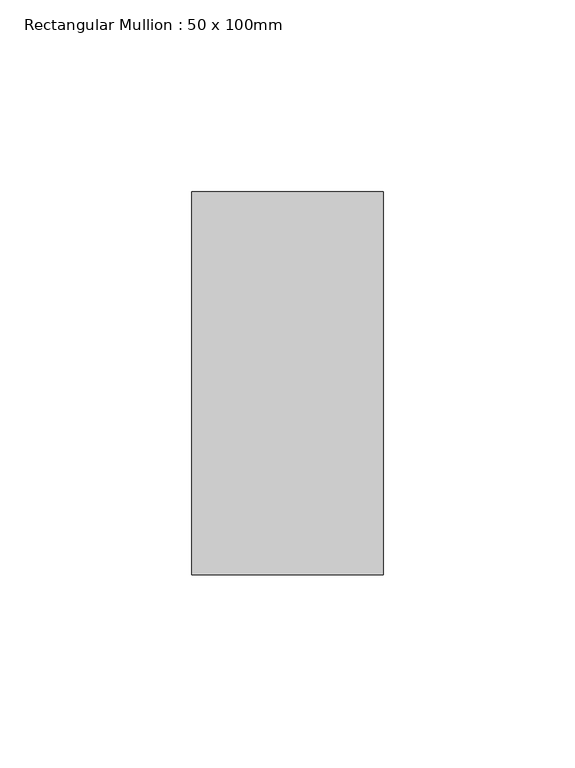
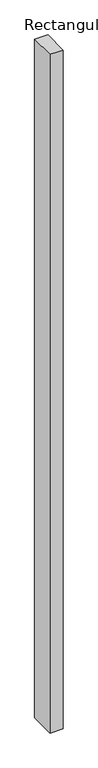
"""IFC4 building model written with IfcOpenShell, lengths in millimetres: member geometry, Rectangular Mullion : 50 x 100mm."""

from ifc_helpers import new_model, si_unit, frame, origin, place, context, project, spatial, polyline, outline, extrude, source, transform, mapped, element, save


def rectangular_mullion_50_x_100mm_29dc3561(model_context):
    return source(origin(), model_context, "Body", "SweptSolid", [
        extrude(outline(polyline([(25.0, 50.0), (25.0, -50.0), (-25.0, -50.0), (-25.0, 50.0), (25.0, 50.0)])), frame((0.0, 0.0, -2725.0), z_axis=(0.0, 0.0, 1.0), x_axis=(1.0, 0.0, 0.0)), (0.0, 0.0, 1.0), 2725.0),
    ])


if __name__ == "__main__":
    model = new_model("IFC4")
    model_context = context("Model", 3, world=origin())
    ifc_project = project(units=[si_unit("LENGTHUNIT", "METRE", prefix="MILLI")], contexts=[model_context])
    site = spatial("IfcSite", under=ifc_project)
    building = spatial("IfcBuilding", under=site)
    placement = place(None, origin())
    rectangular_mullion_50_x_100mm_shape = rectangular_mullion_50_x_100mm_29dc3561(model_context)
    element("IfcMember", 1, ObjectType="Rectangular Mullion : 50 x 100mm", at=placement, inside=building, context=model_context, shape_type="MappedRepresentation", body=[
        mapped(rectangular_mullion_50_x_100mm_shape, transform((0.0, 0.0, 0.0), x_axis=(1.0, 0.0, 0.0), y_axis=(0.0, 1.0, 0.0), z_axis=(0.0, 0.0, 1.0))),
    ])
    save(model, "model.ifc")
